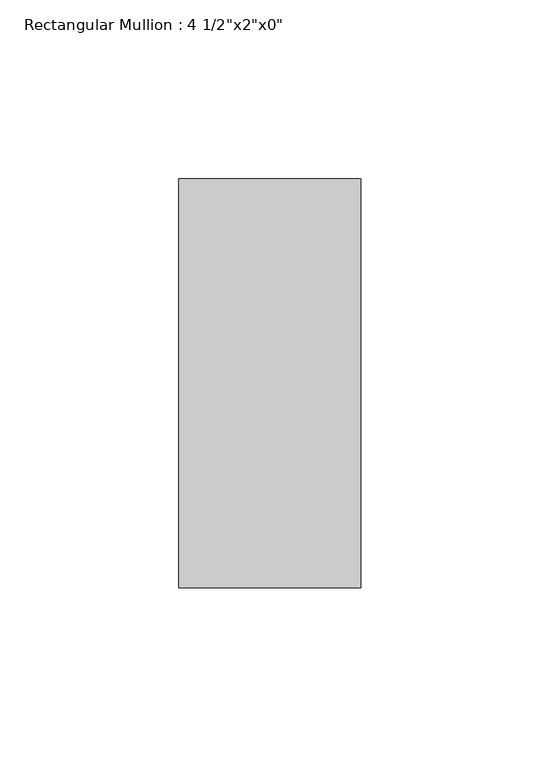
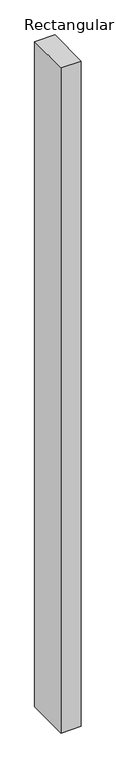
"""IFC4 building model written with IfcOpenShell, lengths in millimetres: member geometry."""

import ifcopenshell
import ifcopenshell.guid

model = None  # the IFC model being written
_history = None  # IfcOwnerHistory: only IFC2X3 demands one
_inside = {}  # id of a spatial element -> (the spatial element, [elements in it])
_under = {}  # id of a project, library or spatial element -> (it, [spatial elements below it])
_declared = {}  # id of a project -> (the project, [libraries it declares])
_typed = {}  # id of a type object -> (the type object, [elements of that type])
_made_of = {}  # id of a material, layer set ... -> (it, [elements and type objects made of it])


def new_model(schema):
    """Start an empty IFC model of exactly this schema.

    Asked for "IFC4X3", IfcOpenShell would pick the latest addendum, in which some entities
    have other attributes; the version numbers below select the first issue.
    IFC2X3 requires an IfcOwnerHistory on every rooted entity: one is made here for all.
    """
    global model, _history
    if schema == "IFC4X3":
        model = ifcopenshell.file(schema_version=(4, 3, 0, 0))
    else:
        model = ifcopenshell.file(schema=schema)
    _inside.clear()
    _under.clear()
    _declared.clear()
    _typed.clear()
    _made_of.clear()
    _history = None
    if model.schema == "IFC2X3":
        org = make("IfcOrganization", Name="unknown")
        user = make(
            "IfcPersonAndOrganization",
            ThePerson=make("IfcPerson", FamilyName="unknown"),
            TheOrganization=org,
        )
        app = make(
            "IfcApplication",
            ApplicationDeveloper=org,
            Version="unknown",
            ApplicationFullName="unknown",
            ApplicationIdentifier="unknown",
        )
        _history = make(
            "IfcOwnerHistory",
            OwningUser=user,
            OwningApplication=app,
            ChangeAction="ADDED",
            CreationDate=0,
        )
    return model


def make(cls, **values):
    """One entity of the class cls with the attributes given. An attribute that is None is left unset."""
    return model.create_entity(
        cls, **{name: value for name, value in values.items() if value is not None}
    )


def rooted(cls, **values):
    """An entity with a GlobalId (a new one), such as an element, a storey or a relation."""
    return make(cls, GlobalId=ifcopenshell.guid.new(), OwnerHistory=_history, **values)


def si_unit(unit_type, name, prefix=None):
    """IfcSIUnit, for example si_unit("LENGTHUNIT", "METRE", prefix="MILLI")."""
    return make("IfcSIUnit", UnitType=unit_type, Prefix=prefix, Name=name)


def assignment(units):
    """IfcUnitAssignment: the units of a project."""
    return None if units is None else make("IfcUnitAssignment", Units=units)


def point(xyz):
    """IfcCartesianPoint."""
    return None if xyz is None else make("IfcCartesianPoint", Coordinates=xyz)


def direction(xyz):
    """IfcDirection."""
    return None if xyz is None else make("IfcDirection", DirectionRatios=xyz)


def frame(location, z_axis=None, x_axis=None):
    """IfcAxis2Placement3D, a coordinate frame: its origin and axes. An axis left out is left unset."""
    return make(
        "IfcAxis2Placement3D",
        Location=point(location),
        Axis=direction(z_axis),
        RefDirection=direction(x_axis),
    )


def origin():
    """The frame at (0, 0, 0) with its axes left unset."""
    return frame((0.0, 0.0, 0.0))


def place(relative_to, where):
    """IfcLocalPlacement: puts the frame where relative to a parent placement (None: the world)."""
    return make(
        "IfcLocalPlacement", PlacementRelTo=relative_to, RelativePlacement=where
    )


def context(
    kind, dimensions, precision=None, world=None, true_north=None, identifier=None
):
    """IfcGeometricRepresentationContext, for example the 3D "Model" context."""
    return make(
        "IfcGeometricRepresentationContext",
        ContextIdentifier=identifier,
        ContextType=kind,
        CoordinateSpaceDimension=dimensions,
        Precision=precision,
        WorldCoordinateSystem=world,
        TrueNorth=true_north,
    )


def project(units=None, contexts=None):
    """IfcProject with its units and contexts."""
    return rooted(
        "IfcProject",
        Name="project",
        RepresentationContexts=contexts,
        UnitsInContext=assignment(units),
    )


def spatial(cls, under=None, at=None, **own):
    """A site, building, storey or space (cls), placed at a placement, below another one or the project."""
    s = rooted(cls, ObjectPlacement=at, **own)
    if under is not None:
        _under.setdefault(under.id(), (under, []))[1].append(s)
    return s


def polyline(points):
    """IfcPolyline through the points."""
    return make("IfcPolyline", Points=[point(p) for p in points])


def outline(outer, holes=None, kind="AREA"):
    """IfcArbitraryClosedProfileDef: a profile drawn as a closed curve; with holes, ...WithVoids."""
    if holes is None:
        return make("IfcArbitraryClosedProfileDef", ProfileType=kind, OuterCurve=outer)
    return make(
        "IfcArbitraryProfileDefWithVoids",
        ProfileType=kind,
        OuterCurve=outer,
        InnerCurves=holes,
    )


def extrude(swept, where, along, depth):
    """IfcExtrudedAreaSolid: the profile swept, set in the frame where, extruded along a direction by depth."""
    return make(
        "IfcExtrudedAreaSolid",
        SweptArea=swept,
        Position=where,
        ExtrudedDirection=direction(along),
        Depth=depth,
    )


def shape(context_of_items, identifier, shape_type, items):
    """IfcShapeRepresentation: the items that make up one representation, for example the "Body"."""
    return make(
        "IfcShapeRepresentation",
        ContextOfItems=context_of_items,
        RepresentationIdentifier=identifier,
        RepresentationType=shape_type,
        Items=items,
    )


def source(mapping_origin, context_of_items, identifier, shape_type, items):
    """IfcRepresentationMap: a shape defined once, which mapped items show again and again."""
    return make(
        "IfcRepresentationMap",
        MappingOrigin=mapping_origin,
        MappedRepresentation=shape(context_of_items, identifier, shape_type, items),
    )


def transform(
    local_origin,
    x_axis=None,
    y_axis=None,
    z_axis=None,
    scale=None,
    scale2=None,
    scale3=None,
    uniform=True,
):
    """IfcCartesianTransformationOperator3D, or its non-uniform kind. x_axis, y_axis, z_axis: its Axis1, 2, 3."""
    if uniform:
        return make(
            "IfcCartesianTransformationOperator3D",
            Axis1=direction(x_axis),
            Axis2=direction(y_axis),
            LocalOrigin=point(local_origin),
            Scale=scale,
            Axis3=direction(z_axis),
        )
    return make(
        "IfcCartesianTransformationOperator3DnonUniform",
        Axis1=direction(x_axis),
        Axis2=direction(y_axis),
        LocalOrigin=point(local_origin),
        Scale=scale,
        Axis3=direction(z_axis),
        Scale2=scale2,
        Scale3=scale3,
    )


def mapped(mapping_source, mapping_target):
    """IfcMappedItem: shows the shape of a source again, moved by a transform."""
    return make(
        "IfcMappedItem", MappingSource=mapping_source, MappingTarget=mapping_target
    )


def made_of(thing, what):
    """Note that an element or type object is made of a material, layer set ...; save() writes the relation."""
    if what is not None:
        _made_of.setdefault(what.id(), (what, []))[1].append(thing)
    return thing


def element(
    cls,
    number,
    at=None,
    inside=None,
    cuts=None,
    type_object=None,
    material=None,
    context=None,
    identifier="Body",
    shape_type=None,
    held_by="IfcProductDefinitionShape",
    body=None,
    shapes=None,
    **own,
):
    """One element of the class cls, such as IfcWall. Its Tag is "e" and its number.

    at: its placement. inside: the storey or other place that contains it. cuts: it is an
    opening in that element (IfcRelVoidsElement). A single representation is given by context,
    identifier, shape_type and body (its items); several are given by shapes. held_by: the class
    of the entity that holds the representations. save() writes the other relations.
    """
    e = rooted(cls, Tag="e%d" % number, ObjectPlacement=at, **own)
    if body is not None:
        shapes = [shape(context, identifier, shape_type, body)]
    if shapes is not None:
        e.Representation = make(held_by, Representations=shapes)
    if inside is not None:
        _inside.setdefault(inside.id(), (inside, []))[1].append(e)
    if cuts is not None:
        rooted(
            "IfcRelVoidsElement", RelatingBuildingElement=cuts, RelatedOpeningElement=e
        )
    if type_object is not None:
        _typed.setdefault(type_object.id(), (type_object, []))[1].append(e)
    return made_of(e, material)


def aggregate(whole, parts):
    """IfcRelAggregates: a whole, such as a stair, and the parts it consists of."""
    return rooted("IfcRelAggregates", RelatingObject=whole, RelatedObjects=parts)


def save(model, path):
    """Write the relations noted so far, then the file.

    IfcRelAggregates (storeys below a building ...), IfcRelContainedInSpatialStructure (elements
    in a storey), IfcRelDefinesByType, IfcRelAssociatesMaterial and IfcRelDeclares: one each for
    every whole, place, type object, material and project.
    """
    for whole, parts in _under.values():
        aggregate(whole, parts)
    for where, things in _inside.values():
        rooted(
            "IfcRelContainedInSpatialStructure",
            RelatedElements=things,
            RelatingStructure=where,
        )
    for kind, things in _typed.values():
        rooted("IfcRelDefinesByType", RelatedObjects=things, RelatingType=kind)
    for what, things in _made_of.values():
        rooted("IfcRelAssociatesMaterial", RelatedObjects=things, RelatingMaterial=what)
    for by, libraries in _declared.values():
        rooted("IfcRelDeclares", RelatingContext=by, RelatedDefinitions=libraries)
    model.write(path)


def member_2f0ef0bb(model_context):
    return source(origin(), model_context, "Body", "SweptSolid", [
        extrude(outline(polyline([(0.0, 57.15), (0.0, -57.15), (-50.8, -57.15), (-50.8, 57.15), (0.0, 57.15)])), frame((0.0, 0.0, -1764.0657569), z_axis=(0.0, 0.0, 1.0), x_axis=(1.0, 0.0, 0.0)), (0.0, 0.0, 1.0), 1764.0657569),
    ])


if __name__ == "__main__":
    model = new_model("IFC4")
    model_context = context("Model", 3, world=origin())
    ifc_project = project(units=[si_unit("LENGTHUNIT", "METRE", prefix="MILLI")], contexts=[model_context])
    site = spatial("IfcSite", under=ifc_project)
    building = spatial("IfcBuilding", under=site)
    placement = place(None, origin())
    member_shape = member_2f0ef0bb(model_context)
    element("IfcMember", 1, ObjectType="Rectangular Mullion : 4 1/2\"x2\"x0\"", at=placement, inside=building, context=model_context, shape_type="MappedRepresentation", body=[
        mapped(member_shape, transform((0.0, 0.0, 0.0), x_axis=(1.0, 0.0, 0.0), y_axis=(0.0, 1.0, 0.0), z_axis=(0.0, 0.0, 1.0))),
    ])
    save(model, "model.ifc")
